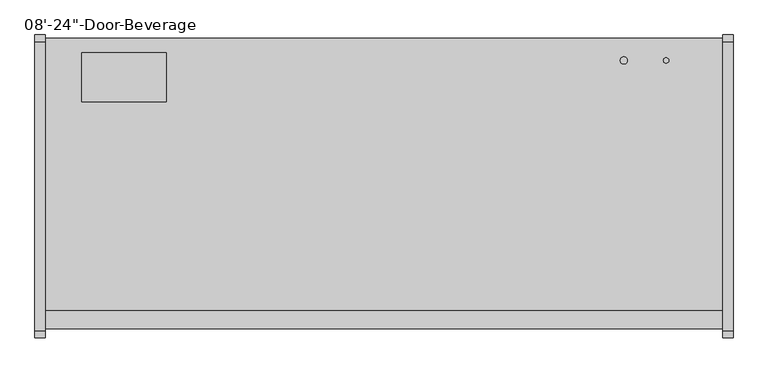
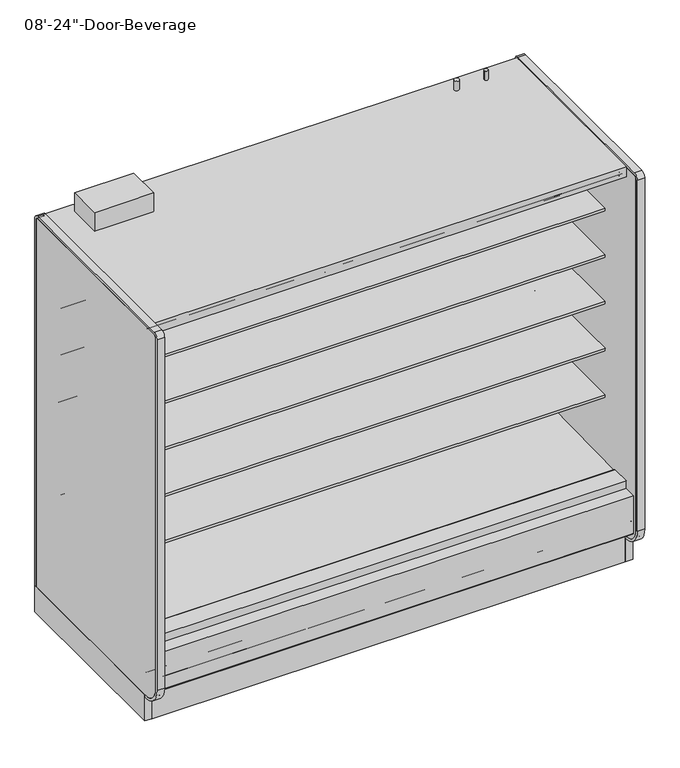
"""IFC4 building model written with IfcOpenShell, lengths in millimetres: proxy geometry."""

from ifc_helpers import new_model, si_unit, point, frame, frame_2d, origin, origin_with_axes, place, context, project, spatial, polyline, circle_curve, trimmed, segment, composite_curve, outline, extrude, source, transform, mapped, element, save
from ifc_brep_helpers import plane_surface, cylinder_surface, revolved_surface, advanced_brep


def proxy_9b6211ec(model_context):
    return source(origin(), model_context, "Body", "SolidModel", [
        extrude(outline(composite_curve([segment(trimmed(circle_curve(frame_2d((2235.2, -428.3821273)), 9.525), [point((2225.675, -428.3821273))], [point((2244.725, -428.3821273))], False, "CARTESIAN"), True, "CONTINUOUS"), segment(trimmed(circle_curve(frame_2d((2235.2, -428.3821273)), 9.525), [point((2244.725, -428.3821273))], [point((2225.675, -428.3821273))], False, "CARTESIAN"), True, "CONTINUOUS")], self_intersect=False)), frame((0.0, 0.0, 2160.0010137), z_axis=(0.0, 0.0, 1.0), x_axis=(1.0, 0.0, 0.0)), (0.0, 0.0, 1.0), 50.8),
        extrude(outline(composite_curve([segment(trimmed(circle_curve(frame_2d((2082.8, -428.3821273)), 12.7), [point((2070.1, -428.3821273))], [point((2095.5, -428.3821273))], False, "CARTESIAN"), True, "CONTINUOUS"), segment(trimmed(circle_curve(frame_2d((2082.8, -428.3821273)), 12.7), [point((2095.5, -428.3821273))], [point((2070.1, -428.3821273))], False, "CARTESIAN"), True, "CONTINUOUS")], self_intersect=False)), frame((0.0, 0.0, 2160.0010137), z_axis=(0.0, 0.0, 1.0), x_axis=(1.0, 0.0, 0.0)), (0.0, 0.0, 1.0), 50.8),
        extrude(outline(composite_curve([segment(polyline([(-1139.652044, 788.1304004), (-1139.652044, 801.6241504), (-453.852044, 801.6241504), (-453.852044, 700.8188557), (-465.2157046, 700.5975577)]), True, "CONTINUOUS"), segment(trimmed(circle_curve(frame_2d((-465.7036503, 725.6535856)), 25.0607786), [point((-465.2157046, 700.5975577))], [point((-481.6109729, 706.2886764))], False, "CARTESIAN"), True, "CONTINUOUS"), segment(polyline([(-481.6109729, 706.2886764), (-519.8326735, 737.3719449)]), True, "CONTINUOUS"), segment(trimmed(circle_curve(frame_2d((-559.8971466, 688.1064601)), 63.5), [point((-519.8326735, 737.3719449))], [point((-553.0441372, 751.2355839))], True, "CARTESIAN"), True, "CONTINUOUS"), segment(polyline([(-553.0441372, 751.2355839), (-968.6518104, 783.846074), (-968.6518104, 788.1304004), (-1139.652044, 788.1304004)]), True, "CONTINUOUS")], self_intersect=False)), frame((0.0, 0.0, 0.0), z_axis=(1.0, 0.0, 0.0), x_axis=(0.0, 1.0, 0.0)), (0.0, 0.0, 1.0), 2438.4),
        extrude(outline(composite_curve([segment(polyline([(-1139.652044, 1042.1304004), (-1139.652044, 1055.6241504), (-453.852044, 1055.6241504), (-453.852044, 954.8188557), (-465.2157046, 954.5975577)]), True, "CONTINUOUS"), segment(trimmed(circle_curve(frame_2d((-465.7036503, 979.6535856)), 25.0607786), [point((-465.2157046, 954.5975577))], [point((-481.6109729, 960.2886764))], False, "CARTESIAN"), True, "CONTINUOUS"), segment(polyline([(-481.6109729, 960.2886764), (-519.8326735, 991.3719449)]), True, "CONTINUOUS"), segment(trimmed(circle_curve(frame_2d((-559.8971466, 942.1064601)), 63.5), [point((-519.8326735, 991.3719449))], [point((-553.0441372, 1005.2355839))], True, "CARTESIAN"), True, "CONTINUOUS"), segment(polyline([(-553.0441372, 1005.2355839), (-968.6518104, 1037.846074), (-968.6518104, 1042.1304004), (-1139.652044, 1042.1304004)]), True, "CONTINUOUS")], self_intersect=False)), frame((0.0, 0.0, 0.0), z_axis=(1.0, 0.0, 0.0), x_axis=(0.0, 1.0, 0.0)), (0.0, 0.0, 1.0), 2438.4),
        extrude(outline(composite_curve([segment(polyline([(-1139.652044, 1296.1304004), (-1139.652044, 1309.6241504), (-453.852044, 1309.6241504), (-453.852044, 1208.8188557), (-465.2157046, 1208.5975577)]), True, "CONTINUOUS"), segment(trimmed(circle_curve(frame_2d((-465.7036503, 1233.6535856)), 25.0607786), [point((-465.2157046, 1208.5975577))], [point((-481.6109729, 1214.2886764))], False, "CARTESIAN"), True, "CONTINUOUS"), segment(polyline([(-481.6109729, 1214.2886764), (-519.8326735, 1245.3719449)]), True, "CONTINUOUS"), segment(trimmed(circle_curve(frame_2d((-559.8971466, 1196.1064601)), 63.5), [point((-519.8326735, 1245.3719449))], [point((-553.0441372, 1259.2355839))], True, "CARTESIAN"), True, "CONTINUOUS"), segment(polyline([(-553.0441372, 1259.2355839), (-968.6518104, 1291.846074), (-968.6518104, 1296.1304004), (-1139.652044, 1296.1304004)]), True, "CONTINUOUS")], self_intersect=False)), frame((0.0, 0.0, 0.0), z_axis=(1.0, 0.0, 0.0), x_axis=(0.0, 1.0, 0.0)), (0.0, 0.0, 1.0), 2438.4),
        extrude(outline(composite_curve([segment(polyline([(-1139.652044, 1550.1304004), (-1139.652044, 1563.6241504), (-453.852044, 1563.6241504), (-453.852044, 1462.8188557), (-465.2157046, 1462.5975577)]), True, "CONTINUOUS"), segment(trimmed(circle_curve(frame_2d((-465.7036503, 1487.6535856)), 25.0607786), [point((-465.2157046, 1462.5975577))], [point((-481.6109729, 1468.2886764))], False, "CARTESIAN"), True, "CONTINUOUS"), segment(polyline([(-481.6109729, 1468.2886764), (-519.8326735, 1499.3719449)]), True, "CONTINUOUS"), segment(trimmed(circle_curve(frame_2d((-559.8971466, 1450.1064601)), 63.5), [point((-519.8326735, 1499.3719449))], [point((-553.0441372, 1513.2355839))], True, "CARTESIAN"), True, "CONTINUOUS"), segment(polyline([(-553.0441372, 1513.2355839), (-968.6518104, 1545.846074), (-968.6518104, 1550.1304004), (-1139.652044, 1550.1304004)]), True, "CONTINUOUS")], self_intersect=False)), frame((0.0, 0.0, 0.0), z_axis=(1.0, 0.0, 0.0), x_axis=(0.0, 1.0, 0.0)), (0.0, 0.0, 1.0), 2438.4),
        extrude(outline(composite_curve([segment(polyline([(-632.8965773, 2077.3701079), (-1202.1056471, 2077.3701079), (-1202.0779553, 2079.0129758), (-1258.0451873, 2083.4966948), (-1258.0451873, 2075.9223079)]), True, "CONTINUOUS"), segment(trimmed(circle_curve(frame_2d((-1260.5851873, 2075.9223079)), 2.54), [point((-1258.0451873, 2075.9223079))], [point((-1260.5851873, 2073.3823079))], False, "CARTESIAN"), True, "CONTINUOUS"), segment(polyline([(-1260.5851873, 2073.3823079), (-1269.8053873, 2073.3823079)]), True, "CONTINUOUS"), segment(trimmed(circle_curve(frame_2d((-1269.8053873, 2075.9223079)), 2.54), [point((-1269.8053873, 2073.3823079))], [point((-1272.3453873, 2075.9223079))], False, "CARTESIAN"), True, "CONTINUOUS"), segment(polyline([(-1272.3453873, 2075.9223079), (-1272.3453873, 2092.9469554)]), True, "CONTINUOUS"), segment(trimmed(circle_curve(frame_2d((-1274.8853873, 2092.9469554)), 2.54), [point((-1272.3453873, 2092.9469554))], [point((-1274.8853873, 2095.4869554))], True, "CARTESIAN"), True, "CONTINUOUS"), segment(polyline([(-1274.8853873, 2095.4869554), (-1288.8553873, 2095.4869554)]), True, "CONTINUOUS"), segment(trimmed(circle_curve(frame_2d((-1288.8553873, 2098.0269554)), 2.54), [point((-1288.8553873, 2095.4869554))], [point((-1291.3953873, 2098.0269554))], False, "CARTESIAN"), True, "CONTINUOUS"), segment(polyline([(-1291.3953873, 2098.0269554), (-1291.3953873, 2102.7701079), (-402.3474764, 2102.7701079), (-402.3474764, 418.2554484), (-453.852044, 418.2554484), (-453.852044, 2054.7594138)]), True, "CONTINUOUS"), segment(trimmed(circle_curve(frame_2d((-476.4627381, 2054.7594138)), 22.6106941), [point((-453.852044, 2054.7594138))], [point((-476.4627381, 2077.3701079))], True, "CARTESIAN"), True, "CONTINUOUS"), segment(polyline([(-476.4627381, 2077.3701079), (-632.8965773, 2077.3701079)]), True, "CONTINUOUS")], self_intersect=False)), frame((0.0, 0.0, 0.0), z_axis=(1.0, 0.0, 0.0), x_axis=(0.0, 1.0, 0.0)), (0.0, 0.0, 1.0), 2438.4),
        extrude(outline(polyline([(673.1, -1207.3278954), (673.1, -1296.2278954), (368.3, -1296.2278954), (368.3, -1207.3278954), (673.1, -1207.3278954)])), frame((0.0, 0.0, 44.45), z_axis=(0.0, 0.0, 1.0), x_axis=(1.0, 0.0, 0.0)), (0.0, 0.0, 1.0), 6.35),
        advanced_brep(
        [(2438.4, -1318.106026, 204.9450868), (2438.4, -1318.106026, 0.0), (2438.4, -1154.5934832, 0.0), (2438.4, -1154.5934832, 130.5306), (2438.4, -1226.6745247, 130.5306), (2438.4, -1377.1737273, 256.8144254), (2438.4, -1377.1737273, 391.9982), (2438.4, -1326.8776974, 391.9982), (2438.4, -1326.8776974, 404.6728), (2438.4, -1393.9631273, 404.6728), (2438.4, -1393.9631273, 201.3982889), (2438.4, -1384.4389382, 195.8985595), (2438.4, -1339.6997646, 221.7199387), (0.0, -1318.106026, 204.9450868), (0.0, -1339.6997646, 221.7199387), (0.0, -1384.4389382, 195.8985595), (0.0, -1393.9631273, 201.3982889), (0.0, -1393.9631273, 404.6728), (0.0, -1326.8776974, 404.6728), (0.0, -1326.8776974, 391.9982), (0.0, -1377.1737273, 391.9982), (0.0, -1377.1737273, 256.8144254), (0.0, -1226.6745247, 130.5306), (0.0, -1154.5934832, 130.5306), (0.0, -1154.5934832, 0.0), (0.0, -1318.106026, 0.0), (677.9753763, -1301.1164467, 0.0), (677.9753763, -1203.5310315, 0.0), (363.1798722, -1203.5310315, 0.0), (363.1798722, -1301.1164467, 0.0), (677.9753763, -1301.1164467, 50.8), (677.9753763, -1203.5310315, 50.8), (363.1798722, -1203.5310315, 50.8), (363.1798722, -1301.1164467, 50.8)],
        [
            (0, 1),
            (1, 2),
            (2, 3),
            (3, 4),
            (4, 5),
            (5, 6),
            (6, 7),
            (7, 8),
            (8, 9),
            (9, 10),
            (10, 11, circle_curve(frame((2438.4, -1387.6131273, 201.3982889), z_axis=(1.0, 0.0, 0.0), x_axis=(0.0, 1.0, 0.0)), 6.35)),
            (11, 12),
            (12, 0),
            (13, 14),
            (14, 15),
            (15, 16, circle_curve(frame((0.0, -1387.6131273, 201.3982889), z_axis=(-1.0, 0.0, 0.0), x_axis=(0.0, 1.0, 0.0)), 6.35)),
            (16, 17),
            (17, 18),
            (18, 19),
            (19, 20),
            (20, 21),
            (21, 22),
            (22, 23),
            (23, 24),
            (24, 25),
            (25, 13),
            (0, 13),
            (25, 1),
            (24, 2),
            (26, 27),
            (27, 28),
            (28, 29),
            (29, 26),
            (23, 3),
            (22, 4),
            (21, 5),
            (20, 6),
            (19, 7),
            (18, 8),
            (17, 9),
            (16, 10),
            (15, 11),
            (14, 12),
            (26, 30),
            (30, 31),
            (31, 27),
            (28, 32),
            (32, 33),
            (33, 29),
            (31, 32),
            (30, 33),
        ],
        [
            plane_surface(frame((2438.4, -1318.106026, 0.0), z_axis=(1.0, 0.0, 0.0), x_axis=(0.0, 0.0, -1.0))),
            plane_surface(frame((0.0, -1318.106026, 0.0), z_axis=(-1.0, 0.0, 0.0), x_axis=(0.0, 0.0, 1.0))),
            plane_surface(frame((2438.4, -1318.106026, 204.9450868), z_axis=(0.0, -1.0, 0.0), x_axis=(-1.0, 0.0, 0.0))),
            plane_surface(frame((2438.4, -1318.106026, 0.0), z_axis=(0.0, 0.0, -1.0), x_axis=(-1.0, 0.0, 0.0))),
            plane_surface(frame((2438.4, -1154.5934832, 0.0), z_axis=(0.0, 1.0, 0.0), x_axis=(-1.0, 0.0, 0.0))),
            plane_surface(frame((2438.4, -1154.5934832, 130.5306), z_axis=(0.0, 0.0, 1.0), x_axis=(-1.0, 0.0, 0.0))),
            plane_surface(frame((2438.4, -1226.6745247, 130.5306), z_axis=(0.0, 0.6427876096877188, 0.7660444431179884), x_axis=(-1.0, 0.0, 0.0))),
            plane_surface(frame((2438.4, -1377.1737273, 256.8144254), z_axis=(0.0, 1.0, 0.0), x_axis=(-1.0, 0.0, 0.0))),
            plane_surface(frame((2438.4, -1377.1737273, 391.9982), z_axis=(0.0, 0.0, -1.0), x_axis=(-1.0, 0.0, 0.0))),
            plane_surface(frame((2438.4, -1326.8776974, 391.9982), z_axis=(0.0, 1.0, 0.0), x_axis=(-1.0, 0.0, 0.0))),
            plane_surface(frame((2438.4, -1326.8776974, 404.6728), z_axis=(0.0, 0.0, 1.0), x_axis=(-1.0, 0.0, 0.0))),
            plane_surface(frame((2438.4, -1393.9631273, 404.6728), z_axis=(0.0, -1.0, 0.0), x_axis=(-1.0, 0.0, 0.0))),
            cylinder_surface(frame((0.0, -1387.6131273, 201.3982889), z_axis=(1.0, 0.0, 0.0), x_axis=(0.0, 1.0, 0.0)), 6.35),
            plane_surface(frame((2438.4, -1384.4389382, 195.8985595), z_axis=(0.0, 0.4998723022013517, -0.8660991175910068), x_axis=(-1.0, 0.0, 0.0))),
            plane_surface(frame((2438.4, -1339.6997646, 221.7199387), z_axis=(0.0, -0.6134784338805639, -0.7897114733644501), x_axis=(-1.0, 0.0, 0.0))),
            plane_surface(frame((677.9753763, -1207.3278954, 0.0), z_axis=(-1.0, 0.0, 0.0), x_axis=(0.0, 1.0, 0.0))),
            plane_surface(frame((363.1798722, -1207.3278954, 0.0), z_axis=(1.0, 0.0, 0.0), x_axis=(0.0, -1.0, 0.0))),
            plane_surface(frame((677.9753763, -1203.5310315, 0.0), z_axis=(0.0, -1.0, 0.0), x_axis=(-1.0, 0.0, 0.0))),
            plane_surface(frame((677.9753763, -1203.5310315, 50.8), z_axis=(0.0, 0.0, -1.0), x_axis=(-1.0, 0.0, 0.0))),
            plane_surface(frame((677.9753763, -1301.1164467, 50.8), z_axis=(0.0, 1.0, 0.0), x_axis=(-1.0, 0.0, 0.0))),
        ],
        [
            (0, [[1, 2, 3, 4, 5, 6, 7, 8, 9, 10, 11, 12, 13]]),
            (1, [[14, 15, 16, 17, 18, 19, 20, 21, 22, 23, 24, 25, 26]]),
            (2, [[-1, 27, -26, 28]]),
            (3, [[-2, -28, -25, 29], [30, 31, 32, 33]]),
            (4, [[-3, -29, -24, 34]]),
            (5, [[-4, -34, -23, 35]]),
            (6, [[-5, -35, -22, 36]]),
            (7, [[-6, -36, -21, 37]]),
            (8, [[-7, -37, -20, 38]]),
            (9, [[-8, -38, -19, 39]]),
            (10, [[-9, -39, -18, 40]]),
            (11, [[-10, -40, -17, 41]]),
            (12, [[-11, -41, -16, 42]]),
            (13, [[-12, -42, -15, 43]]),
            (14, [[-13, -43, -14, -27]]),
            (15, [[44, 45, 46, -30]]),
            (16, [[47, 48, 49, -32]]),
            (17, [[-46, 50, -47, -31]]),
            (18, [[-45, 51, -48, -50]]),
            (19, [[-44, -33, -49, -51]]),
        ],
    ),
        extrude(outline(composite_curve([segment(trimmed(circle_curve(frame_2d((354.0125, 2362.2)), 12.7), [point((341.3125, 2362.2))], [point((366.7125, 2362.2))], False, "CARTESIAN"), True, "CONTINUOUS"), segment(trimmed(circle_curve(frame_2d((354.0125, 2362.2)), 12.7), [point((366.7125, 2362.2))], [point((341.3125, 2362.2))], False, "CARTESIAN"), True, "CONTINUOUS")], self_intersect=False)), frame((0.0, -399.8071273, 0.0), z_axis=(0.0, 1.0, 0.0), x_axis=(0.0, 0.0, 1.0)), (0.0, 0.0, 1.0), 50.8),
        extrude(outline(composite_curve([segment(trimmed(circle_curve(frame_2d((354.0125, 2311.4)), 9.525), [point((344.4875, 2311.4))], [point((363.5375, 2311.4))], False, "CARTESIAN"), True, "CONTINUOUS"), segment(trimmed(circle_curve(frame_2d((354.0125, 2311.4)), 9.525), [point((363.5375, 2311.4))], [point((344.4875, 2311.4))], False, "CARTESIAN"), True, "CONTINUOUS")], self_intersect=False)), frame((0.0, -399.8071273, 0.0), z_axis=(0.0, 1.0, 0.0), x_axis=(0.0, 0.0, 1.0)), (0.0, 0.0, 1.0), 50.8),
        advanced_brep(
        [(2438.4, -349.0071273, 130.5306), (2438.4, -349.0071273, 2159.0692079), (2438.4, -1328.759197, 2159.0692079), (2438.4, -1328.759197, 2102.7701079), (2438.4, -402.3474764, 2102.7701079), (2438.4, -402.3474764, 358.6596808), (2438.4, -549.3331942, 211.7249958), (2438.4, -991.2928374, 196.2548056), (2438.4, -1033.515372, 165.5831237), (2438.4, -1035.4689267, 165.5149041), (2438.4, -1048.6488905, 157.9054484), (2438.4, -1108.9738905, 157.9054484), (2438.4, -1117.2097949, 162.6604501), (2438.4, -1119.3438463, 162.5859274), (2438.4, -1169.010644, 190.034038), (2438.4, -1325.2901974, 342.4428), (2438.4, -1325.2901974, 391.9982), (2438.4, -1377.1737273, 391.9982), (2438.4, -1377.1737273, 256.8144254), (2438.4, -1226.6745247, 130.5306), (0.0, -349.0071273, 130.5306), (0.0, -1226.6745247, 130.5306), (0.0, -1377.1737273, 256.8144254), (0.0, -1377.1737273, 391.9982), (0.0, -1325.2901974, 391.9982), (0.0, -1325.2901974, 342.4428), (0.0, -1169.010644, 190.034038), (0.0, -1119.3438463, 162.5859274), (0.0, -1117.2097949, 162.6604501), (0.0, -1108.9738905, 157.9054484), (0.0, -1048.6488905, 157.9054484), (0.0, -1035.4689267, 165.5149041), (0.0, -1033.515372, 165.5831237), (0.0, -991.2928374, 196.2548056), (0.0, -549.3331942, 211.7249958), (0.0, -402.3474764, 358.6596808), (0.0, -402.3474764, 2102.7701079), (0.0, -1328.759197, 2102.7701079), (0.0, -1328.759197, 2159.0692079), (0.0, -349.0071273, 2159.0692079), (2336.8, -349.0071273, 303.2125), (2336.8, -349.0071273, 404.8125), (2336.8, -399.8071273, 404.8125), (2336.8, -399.8071273, 303.2125)],
        [
            (0, 1),
            (1, 2),
            (2, 3),
            (3, 4),
            (4, 5),
            (5, 6, circle_curve(frame((2438.4, -554.6779329, 364.0573175), z_axis=(-1.0, 0.0, 0.0), x_axis=(0.0, 1.0, 0.0)), 152.4260557)),
            (6, 7),
            (7, 8),
            (8, 9),
            (9, 10),
            (10, 11),
            (11, 12),
            (12, 13),
            (13, 14),
            (14, 15, circle_curve(frame((2438.4, -1174.2931139, 340.9461144), z_axis=(-1.0, 0.0, 0.0), x_axis=(0.0, 1.0, 0.0)), 151.0045009)),
            (15, 16),
            (16, 17),
            (17, 18),
            (18, 19),
            (19, 0),
            (20, 21),
            (21, 22),
            (22, 23),
            (23, 24),
            (24, 25),
            (25, 26, circle_curve(frame((0.0, -1174.2931139, 340.9461144), z_axis=(1.0, 0.0, 0.0), x_axis=(0.0, 1.0, 0.0)), 151.0045009)),
            (26, 27),
            (27, 28),
            (28, 29),
            (29, 30),
            (30, 31),
            (31, 32),
            (32, 33),
            (33, 34),
            (34, 35, circle_curve(frame((0.0, -554.6779329, 364.0573175), z_axis=(1.0, 0.0, 0.0), x_axis=(0.0, 1.0, 0.0)), 152.4260557)),
            (35, 36),
            (36, 37),
            (37, 38),
            (38, 39),
            (39, 20),
            (0, 20),
            (39, 1),
            (40, 41, circle_curve(frame((2336.8, -349.0071273, 354.0125), z_axis=(0.0, -1.0, 0.0), x_axis=(0.0, 0.0, -1.0)), 50.8)),
            (41, 40, circle_curve(frame((2336.8, -349.0071273, 354.0125), z_axis=(0.0, -1.0, 0.0), x_axis=(0.0, 0.0, -1.0)), 50.8)),
            (38, 2),
            (37, 3),
            (36, 4),
            (6, 34),
            (33, 7),
            (32, 8),
            (31, 9),
            (30, 10),
            (29, 11),
            (28, 12),
            (27, 13),
            (26, 14),
            (25, 15),
            (24, 16),
            (23, 17),
            (22, 18),
            (21, 19),
            (35, 5),
            (42, 43, circle_curve(frame((2336.8, -399.8071273, 354.0125), z_axis=(0.0, 1.0, 0.0), x_axis=(0.0, 0.0, -1.0)), 50.8)),
            (43, 42, circle_curve(frame((2336.8, -399.8071273, 354.0125), z_axis=(0.0, 1.0, 0.0), x_axis=(0.0, 0.0, -1.0)), 50.8)),
            (42, 41),
            (40, 43),
        ],
        [
            plane_surface(frame((2438.4, -349.0071273, 2154.3067079), z_axis=(1.0, 0.0, 0.0), x_axis=(0.0, 0.0, 1.0))),
            plane_surface(frame((0.0, -349.0071273, 2154.3067079), z_axis=(-1.0, 0.0, 0.0), x_axis=(0.0, 0.0, -1.0))),
            plane_surface(frame((2438.4, -349.0071273, 130.5306), z_axis=(0.0, 1.0, 0.0), x_axis=(-1.0, 0.0, 0.0))),
            plane_surface(frame((2438.4, -349.0071273, 2159.0692079), z_axis=(0.0, 0.0, 1.0), x_axis=(-1.0, 0.0, 0.0))),
            plane_surface(frame((2438.4, -1328.759197, 2159.0692079), z_axis=(0.0, -1.0, 0.0), x_axis=(-1.0, 0.0, 0.0))),
            plane_surface(frame((2438.4, -1328.759197, 2102.7701079), z_axis=(0.0, 0.0, -1.0), x_axis=(-1.0, 0.0, 0.0))),
            plane_surface(frame((2438.4, -549.3331942, 211.7249958), z_axis=(0.0, -0.03498220179415916, 0.9993879354673203), x_axis=(-1.0, 0.0, 0.0))),
            plane_surface(frame((2438.4, -991.2928374, 196.2548056), z_axis=(0.0, -0.5877252382161511, 0.8090605937528836), x_axis=(-1.0, 0.0, 0.0))),
            plane_surface(frame((2438.4, -1033.515372, 165.5831237), z_axis=(0.0, -0.034899496717989933, 0.9993908270185549), x_axis=(-1.0, 0.0, 0.0))),
            plane_surface(frame((2438.4, -1035.4689267, 165.5149041), z_axis=(0.0, -0.5000000000128472, 0.8660254037770214), x_axis=(-1.0, 0.0, 0.0))),
            plane_surface(frame((2438.4, -1048.6488905, 157.9054484), z_axis=(0.0, 0.0, 1.0), x_axis=(-1.0, 0.0, 0.0))),
            plane_surface(frame((2438.4, -1108.9738905, 157.9054484), z_axis=(0.0, 0.49999999998692984, 0.8660254037919848), x_axis=(-1.0, 0.0, 0.0))),
            plane_surface(frame((2438.4, -1117.2097949, 162.6604501), z_axis=(0.0, -0.03489949671806632, 0.9993908270185522), x_axis=(-1.0, 0.0, 0.0))),
            plane_surface(frame((2438.4, -1119.3438463, 162.5859274), z_axis=(0.0, 0.483695152932422, 0.8752365389023021), x_axis=(-1.0, 0.0, 0.0))),
            revolved_surface(polyline([(0.0, -1023.2886129999999, 340.9461144), (2438.4, -1023.2886129999999, 340.9461144)]), (0.0, -1174.2931139, 340.9461144), (-1.0, 0.0, 0.0)),
            plane_surface(frame((2438.4, -1325.2901974, 342.4428), z_axis=(0.0, 1.0, 0.0), x_axis=(-1.0, 0.0, 0.0))),
            plane_surface(frame((2438.4, -1325.2901974, 391.9982), z_axis=(0.0, 0.0, 1.0), x_axis=(-1.0, 0.0, 0.0))),
            plane_surface(frame((2438.4, -1377.1737273, 391.9982), z_axis=(0.0, -1.0, 0.0), x_axis=(-1.0, 0.0, 0.0))),
            plane_surface(frame((2438.4, -1377.1737273, 256.8144254), z_axis=(0.0, -0.6427876096877191, -0.7660444431179881), x_axis=(-1.0, 0.0, 0.0))),
            plane_surface(frame((2438.4, -1226.6745247, 130.5306), z_axis=(0.0, 0.0, -1.0), x_axis=(-1.0, 0.0, 0.0))),
            plane_surface(frame((2438.4, -402.3474764, 2102.7701079), z_axis=(0.0, -1.0, 0.0), x_axis=(-1.0, 0.0, 0.0))),
            revolved_surface(polyline([(0.0, -402.25187719999997, 364.0573175), (2438.4, -402.25187719999997, 364.0573175)]), (0.0, -554.6779329, 364.0573175), (-1.0, 0.0, 0.0)),
            plane_surface(frame((2336.8, -399.8071273, 303.2125), z_axis=(0.0, 1.0, 0.0), x_axis=(1.0, 0.0, 0.0))),
            revolved_surface(polyline([(2336.8, -349.0071273, 303.2125), (2336.8, -399.8071273, 303.2125)]), (2336.8, -399.8071273, 354.0125), (0.0, 1.0, 0.0)),
        ],
        [
            (0, [[1, 2, 3, 4, 5, 6, 7, 8, 9, 10, 11, 12, 13, 14, 15, 16, 17, 18, 19, 20]]),
            (1, [[21, 22, 23, 24, 25, 26, 27, 28, 29, 30, 31, 32, 33, 34, 35, 36, 37, 38, 39, 40]]),
            (2, [[-1, 41, -40, 42], [43, 44]]),
            (3, [[-2, -42, -39, 45]]),
            (4, [[-3, -45, -38, 46]]),
            (5, [[-4, -46, -37, 47]]),
            (6, [[-7, 48, -34, 49]]),
            (7, [[-8, -49, -33, 50]]),
            (8, [[-9, -50, -32, 51]]),
            (9, [[-10, -51, -31, 52]]),
            (10, [[-11, -52, -30, 53]]),
            (11, [[-12, -53, -29, 54]]),
            (12, [[-13, -54, -28, 55]]),
            (13, [[-14, -55, -27, 56]]),
            (14, [[-15, -56, -26, 57]]),
            (15, [[-16, -57, -25, 58]]),
            (16, [[-17, -58, -24, 59]]),
            (17, [[-18, -59, -23, 60]]),
            (18, [[-19, -60, -22, 61]]),
            (19, [[-20, -61, -21, -41]]),
            (20, [[-5, -47, -36, 62]]),
            (21, [[-6, -62, -35, -48]]),
            (22, [[63, 64]]),
            (23, [[-63, 65, -43, 66]]),
            (23, [[-64, -66, -44, -65]]),
        ],
    ),
        extrude(outline(composite_curve([segment(trimmed(circle_curve(frame_2d((1219.2, -1072.9071273)), 38.1), [point((1181.1, -1072.9071273))], [point((1257.3, -1072.9071273))], False, "CARTESIAN"), True, "CONTINUOUS"), segment(trimmed(circle_curve(frame_2d((1219.2, -1072.9071273)), 38.1), [point((1257.3, -1072.9071273))], [point((1181.1, -1072.9071273))], False, "CARTESIAN"), True, "CONTINUOUS")], self_intersect=False)), frame((0.0, 0.0, 61.2666507), z_axis=(0.0, 0.0, 1.0), x_axis=(1.0, 0.0, 0.0)), (0.0, 0.0, 1.0), 65.7333493),
        extrude(outline(composite_curve([segment(trimmed(circle_curve(frame_2d((2243.1375, -1076.0821273)), 12.7), [point((2230.4375, -1076.0821273))], [point((2255.8375, -1076.0821273))], False, "CARTESIAN"), True, "CONTINUOUS"), segment(trimmed(circle_curve(frame_2d((2243.1375, -1076.0821273)), 12.7), [point((2255.8375, -1076.0821273))], [point((2230.4375, -1076.0821273))], False, "CARTESIAN"), True, "CONTINUOUS")], self_intersect=False)), frame((0.0, 0.0, 61.2666507), z_axis=(0.0, 0.0, 1.0), x_axis=(1.0, 0.0, 0.0)), (0.0, 0.0, 1.0), 65.7333493),
        extrude(outline(composite_curve([segment(trimmed(circle_curve(frame_2d((2192.3375, -1076.0821273)), 9.525), [point((2182.8125, -1076.0821273))], [point((2201.8625, -1076.0821273))], False, "CARTESIAN"), True, "CONTINUOUS"), segment(trimmed(circle_curve(frame_2d((2192.3375, -1076.0821273)), 9.525), [point((2201.8625, -1076.0821273))], [point((2182.8125, -1076.0821273))], False, "CARTESIAN"), True, "CONTINUOUS")], self_intersect=False)), frame((0.0, 0.0, 61.2666507), z_axis=(0.0, 0.0, 1.0), x_axis=(1.0, 0.0, 0.0)), (0.0, 0.0, 1.0), 65.7333493),
        advanced_brep(
        [(2438.4, -349.0071273, 0.0), (2438.4, -349.0071273, 130.5306), (2438.4, -1154.5934832, 130.5306), (2438.4, -1154.5934832, 0.0), (2438.4, -1108.6576273, 0.0), (2438.4, -1108.6576273, 74.8810382), (2438.4, -394.2191273, 74.8810382), (2438.4, -394.2191273, 0.0), (0.0, -349.0071273, 0.0), (0.0, -394.2191273, 0.0), (0.0, -394.2191273, 74.8810382), (0.0, -1108.6576273, 74.8810382), (0.0, -1108.6576273, 0.0), (0.0, -1154.5934832, 0.0), (0.0, -1154.5934832, 130.5306), (0.0, -349.0071273, 130.5306), (1183.1092567, -1108.6576273, 74.8810382), (1183.1092567, -1108.6576273, 127.0), (1255.2907433, -1108.6576273, 127.0), (1255.2907433, -1108.6576273, 74.8810382), (2178.7570331, -1108.6576273, 74.8810382), (2178.7570331, -1108.6576273, 127.0), (2256.7179669, -1108.6576273, 127.0), (2256.7179669, -1108.6576273, 74.8810382)],
        [
            (0, 1),
            (1, 2),
            (2, 3),
            (3, 4),
            (4, 5),
            (5, 6),
            (6, 7),
            (7, 0),
            (8, 9),
            (9, 10),
            (10, 11),
            (11, 12),
            (12, 13),
            (13, 14),
            (14, 15),
            (15, 8),
            (0, 8),
            (15, 1),
            (14, 2),
            (13, 3),
            (12, 4),
            (11, 16),
            (16, 17),
            (17, 18),
            (18, 19),
            (19, 20),
            (20, 21),
            (21, 22),
            (22, 23),
            (23, 5),
            (23, 20, circle_curve(frame((2217.7375, -1076.0821273, 74.8810382), z_axis=(0.0, 0.0, 1.0), x_axis=(1.0, 0.0, 0.0)), 50.8)),
            (19, 16, circle_curve(frame((1219.2, -1072.9071273, 74.8810382), z_axis=(0.0, 0.0, 1.0), x_axis=(1.0, 0.0, 0.0)), 50.8)),
            (10, 6),
            (9, 7),
            (17, 18, circle_curve(frame((1219.2, -1072.9071273, 127.0), z_axis=(0.0, 0.0, -1.0), x_axis=(1.0, 0.0, 0.0)), 50.8)),
            (21, 22, circle_curve(frame((2217.7375, -1076.0821273, 127.0), z_axis=(0.0, 0.0, -1.0), x_axis=(1.0, 0.0, 0.0)), 50.8)),
        ],
        [
            plane_surface(frame((2438.4, -349.0071273, 2438.4), z_axis=(1.0, 0.0, 0.0), x_axis=(0.0, 0.0, 1.0))),
            plane_surface(frame((0.0, -349.0071273, 2438.4), z_axis=(-1.0, 0.0, 0.0), x_axis=(0.0, 0.0, -1.0))),
            plane_surface(frame((2438.4, -349.0071273, 0.0), z_axis=(0.0, 1.0, 0.0), x_axis=(-1.0, 0.0, 0.0))),
            plane_surface(frame((2438.4, -349.0071273, 130.5306), z_axis=(0.0, 0.0, 1.0), x_axis=(-1.0, 0.0, 0.0))),
            plane_surface(frame((2438.4, -1154.5934832, 130.5306), z_axis=(0.0, -1.0, 0.0), x_axis=(-1.0, 0.0, 0.0))),
            plane_surface(frame((2438.4, -1154.5934832, 0.0), z_axis=(0.0, 0.0, -1.0), x_axis=(-1.0, 0.0, 0.0))),
            plane_surface(frame((2438.4, -1108.6576273, 0.0), z_axis=(0.0, 1.0, 0.0), x_axis=(-1.0, 0.0, 0.0))),
            plane_surface(frame((2438.4, -1108.6576273, 74.8810382), z_axis=(0.0, 0.0, -1.0), x_axis=(-1.0, 0.0, 0.0))),
            plane_surface(frame((2438.4, -394.2191273, 74.8810382), z_axis=(0.0, -1.0, 0.0), x_axis=(-1.0, 0.0, 0.0))),
            plane_surface(frame((2438.4, -394.2191273, 0.0), z_axis=(0.0, 0.0, -1.0), x_axis=(-1.0, 0.0, 0.0))),
            plane_surface(frame((1255.2907433, -1108.6576273, 127.0), z_axis=(0.0, 0.0, -1.0), x_axis=(1.0, 0.0, 0.0))),
            revolved_surface(polyline([(1270.0, -1072.9071273, 127.0), (1270.0, -1072.9071273, 74.8810382)]), (1219.2, -1072.9071273, 0.0), (0.0, 0.0, 1.0)),
            plane_surface(frame((2256.7179669, -1108.6576273, 127.0), z_axis=(0.0, 0.0, -1.0), x_axis=(1.0, 0.0, 0.0))),
            revolved_surface(polyline([(2268.5375000000004, -1076.0821273, 127.0), (2268.5375000000004, -1076.0821273, 74.8810382)]), (2217.7375, -1076.0821273, 0.0), (0.0, 0.0, 1.0)),
        ],
        [
            (0, [[1, 2, 3, 4, 5, 6, 7, 8]]),
            (1, [[9, 10, 11, 12, 13, 14, 15, 16]]),
            (2, [[-1, 17, -16, 18]]),
            (3, [[-2, -18, -15, 19]]),
            (4, [[-3, -19, -14, 20]]),
            (5, [[21, -4, -20, -13]]),
            (6, [[-5, -21, -12, 22, 23, 24, 25, 26, 27, 28, 29, 30]]),
            (7, [[-6, -30, 31, -26, 32, -22, -11, 33]]),
            (8, [[-7, -33, -10, 34]]),
            (9, [[-8, -34, -9, -17]]),
            (10, [[35, -24]]),
            (11, [[-35, -23, -32, -25]]),
            (12, [[36, -28]]),
            (13, [[-36, -27, -31, -29]]),
        ],
    ),
        extrude(outline(composite_curve([segment(polyline([(-1139.652044, 1803.3473276), (-1139.652044, 1816.8410776), (-453.852044, 1816.8410776), (-453.852044, 1716.035783), (-465.2157046, 1715.814485)]), True, "CONTINUOUS"), segment(trimmed(circle_curve(frame_2d((-465.7036503, 1740.8705128)), 25.0607786), [point((-465.2157046, 1715.814485))], [point((-481.6109729, 1721.5056036))], False, "CARTESIAN"), True, "CONTINUOUS"), segment(polyline([(-481.6109729, 1721.5056036), (-519.8326735, 1752.5888722)]), True, "CONTINUOUS"), segment(trimmed(circle_curve(frame_2d((-559.8971466, 1703.3233874)), 63.5), [point((-519.8326735, 1752.5888722))], [point((-553.0441372, 1766.4525111))], True, "CARTESIAN"), True, "CONTINUOUS"), segment(polyline([(-553.0441372, 1766.4525111), (-968.6518104, 1799.0630012), (-968.6518104, 1803.3473276), (-1139.652044, 1803.3473276)]), True, "CONTINUOUS")], self_intersect=False)), frame((0.0, 0.0, 0.0), z_axis=(1.0, 0.0, 0.0), x_axis=(0.0, 1.0, 0.0)), (0.0, 0.0, 1.0), 2438.4),
        extrude(outline(polyline([(434.975, -399.8071273), (434.975, -577.6071273), (130.175, -577.6071273), (130.175, -399.8071273), (434.975, -399.8071273)])), frame((0.0, 0.0, 2160.0010137), z_axis=(0.0, 0.0, 1.0), x_axis=(1.0, 0.0, 0.0)), (0.0, 0.0, 1.0), 101.1788283),
        extrude(outline(composite_curve([segment(polyline([(-453.852044, 452.2592331), (-453.852044, 418.2554484), (-402.3474764, 418.2554484), (-402.3474764, 358.6596808)]), True, "CONTINUOUS"), segment(trimmed(circle_curve(frame_2d((-554.6779329, 364.0573175)), 152.4260557), [point((-402.3474764, 358.6596808))], [point((-549.3331942, 211.7249958))], False, "CARTESIAN"), True, "CONTINUOUS"), segment(polyline([(-549.3331942, 211.7249958), (-991.2928374, 196.2548056), (-1033.515372, 165.5831237), (-1035.4689267, 165.5149041), (-1048.6488905, 157.9054484), (-1108.9738905, 157.9054484), (-1117.2097949, 162.6604501), (-1119.3438463, 162.5859274), (-1169.010644, 190.034038)]), True, "CONTINUOUS"), segment(trimmed(circle_curve(frame_2d((-1174.2931139, 340.9461144)), 151.0045009), [point((-1169.010644, 190.034038))], [point((-1325.2901974, 342.4428))], False, "CARTESIAN"), True, "CONTINUOUS"), segment(polyline([(-1325.2901974, 342.4428), (-1325.2901974, 391.9982), (-1326.8776974, 391.9982), (-1326.8776974, 447.5353), (-1227.4661273, 447.5353)]), True, "CONTINUOUS"), segment(trimmed(circle_curve(frame_2d((-1227.4661273, 445.4779)), 2.0574), [point((-1227.4661273, 447.5353))], [point((-1225.4087273, 445.4779))], False, "CARTESIAN"), True, "CONTINUOUS"), segment(polyline([(-1225.4087273, 445.4779), (-1225.4087273, 438.3756667), (-453.852044, 452.2592331)]), True, "CONTINUOUS")], self_intersect=False)), frame((0.0, 0.0, 0.0), z_axis=(1.0, 0.0, 0.0), x_axis=(0.0, 1.0, 0.0)), (0.0, 0.0, 1.0), 2438.4),
        extrude(outline(composite_curve([segment(trimmed(circle_curve(frame_2d((-1325.3196273, 232.1306)), 88.9), [point((-1414.2196273, 232.1306))], [point((-1325.3196273, 143.2306))], True, "CARTESIAN"), True, "CONTINUOUS"), segment(polyline([(-1325.3196273, 143.2306), (-1318.106026, 143.2306), (-1318.106026, 130.7870064)]), True, "CONTINUOUS"), segment(trimmed(circle_curve(frame_2d((-1325.3196273, 232.1306)), 101.6), [point((-1318.106026, 130.7870064))], [point((-1426.9196273, 232.1306))], False, "CARTESIAN"), True, "CONTINUOUS"), segment(polyline([(-1426.9196273, 232.1306), (-1426.9196273, 2143.5486906)]), True, "CONTINUOUS"), segment(trimmed(circle_curve(frame_2d((-1401.5196273, 2143.5486906)), 25.4), [point((-1426.9196273, 2143.5486906))], [point((-1401.5196273, 2168.9486906))], False, "CARTESIAN"), True, "CONTINUOUS"), segment(polyline([(-1401.5196273, 2168.9486906), (-361.7071273, 2168.9486906)]), True, "CONTINUOUS"), segment(trimmed(circle_curve(frame_2d((-361.7071273, 2143.5486906)), 25.4), [point((-361.7071273, 2168.9486906))], [point((-336.3071273, 2143.5486906))], False, "CARTESIAN"), True, "CONTINUOUS"), segment(polyline([(-336.3071273, 2143.5486906), (-336.3071273, 143.2306), (-349.0071273, 143.2306), (-349.0071273, 2143.5486906)]), True, "CONTINUOUS"), segment(trimmed(circle_curve(frame_2d((-361.7071273, 2143.5486906)), 12.7), [point((-349.0071273, 2143.5486906))], [point((-361.7071273, 2156.2486906))], True, "CARTESIAN"), True, "CONTINUOUS"), segment(polyline([(-361.7071273, 2156.2486906), (-1401.5196273, 2156.2486906)]), True, "CONTINUOUS"), segment(trimmed(circle_curve(frame_2d((-1401.5196273, 2143.5486906)), 12.7), [point((-1401.5196273, 2156.2486906))], [point((-1414.2196273, 2143.5486906))], True, "CARTESIAN"), True, "CONTINUOUS"), segment(polyline([(-1414.2196273, 2143.5486906), (-1414.2196273, 232.1306)]), True, "CONTINUOUS")], self_intersect=False)), frame((2438.4, 0.0, 0.0), z_axis=(1.0, 0.0, 0.0), x_axis=(0.0, 1.0, 0.0)), (0.0, 0.0, 1.0), 38.1),
        extrude(outline(polyline([(2476.5, -336.3071273), (2476.5, -1318.106026), (2438.4, -1318.106026), (2438.4, -336.3071273), (2476.5, -336.3071273)])), origin_with_axes(), (0.0, 0.0, 1.0), 143.2306),
        extrude(outline(composite_curve([segment(polyline([(-1414.2196273, 232.1306), (-1414.2196273, 2143.5486906)]), True, "CONTINUOUS"), segment(trimmed(circle_curve(frame_2d((-1401.5196273, 2143.5486906)), 12.7), [point((-1414.2196273, 2143.5486906))], [point((-1401.5196273, 2156.2486906))], False, "CARTESIAN"), True, "CONTINUOUS"), segment(polyline([(-1401.5196273, 2156.2486906), (-361.7071273, 2156.2486906)]), True, "CONTINUOUS"), segment(trimmed(circle_curve(frame_2d((-361.7071273, 2143.5486906)), 12.7), [point((-361.7071273, 2156.2486906))], [point((-349.0071273, 2143.5486906))], False, "CARTESIAN"), True, "CONTINUOUS"), segment(polyline([(-349.0071273, 2143.5486906), (-349.0071273, 143.2306), (-1325.3196273, 143.2306)]), True, "CONTINUOUS"), segment(trimmed(circle_curve(frame_2d((-1325.3196273, 232.1306)), 88.9), [point((-1325.3196273, 143.2306))], [point((-1414.2196273, 232.1306))], False, "CARTESIAN"), True, "CONTINUOUS")], self_intersect=False)), frame((2438.4, 0.0, 0.0), z_axis=(1.0, 0.0, 0.0), x_axis=(0.0, 1.0, 0.0)), (0.0, 0.0, 1.0), 38.1),
        extrude(outline(composite_curve([segment(trimmed(circle_curve(frame_2d((-1325.3196273, 232.1306)), 88.9), [point((-1414.2196273, 232.1306))], [point((-1325.3196273, 143.2306))], True, "CARTESIAN"), True, "CONTINUOUS"), segment(polyline([(-1325.3196273, 143.2306), (-1318.106026, 143.2306), (-1318.106026, 130.7870064)]), True, "CONTINUOUS"), segment(trimmed(circle_curve(frame_2d((-1325.3196273, 232.1306)), 101.6), [point((-1318.106026, 130.7870064))], [point((-1426.9196273, 232.1306))], False, "CARTESIAN"), True, "CONTINUOUS"), segment(polyline([(-1426.9196273, 232.1306), (-1426.9196273, 2143.5486906)]), True, "CONTINUOUS"), segment(trimmed(circle_curve(frame_2d((-1401.5196273, 2143.5486906)), 25.4), [point((-1426.9196273, 2143.5486906))], [point((-1401.5196273, 2168.9486906))], False, "CARTESIAN"), True, "CONTINUOUS"), segment(polyline([(-1401.5196273, 2168.9486906), (-361.7071273, 2168.9486906)]), True, "CONTINUOUS"), segment(trimmed(circle_curve(frame_2d((-361.7071273, 2143.5486906)), 25.4), [point((-361.7071273, 2168.9486906))], [point((-336.3071273, 2143.5486906))], False, "CARTESIAN"), True, "CONTINUOUS"), segment(polyline([(-336.3071273, 2143.5486906), (-336.3071273, 143.2306), (-349.0071273, 143.2306), (-349.0071273, 2143.5486906)]), True, "CONTINUOUS"), segment(trimmed(circle_curve(frame_2d((-361.7071273, 2143.5486906)), 12.7), [point((-349.0071273, 2143.5486906))], [point((-361.7071273, 2156.2486906))], True, "CARTESIAN"), True, "CONTINUOUS"), segment(polyline([(-361.7071273, 2156.2486906), (-1401.5196273, 2156.2486906)]), True, "CONTINUOUS"), segment(trimmed(circle_curve(frame_2d((-1401.5196273, 2143.5486906)), 12.7), [point((-1401.5196273, 2156.2486906))], [point((-1414.2196273, 2143.5486906))], True, "CARTESIAN"), True, "CONTINUOUS"), segment(polyline([(-1414.2196273, 2143.5486906), (-1414.2196273, 232.1306)]), True, "CONTINUOUS")], self_intersect=False)), frame((-38.1, 0.0, 0.0), z_axis=(1.0, 0.0, 0.0), x_axis=(0.0, 1.0, 0.0)), (0.0, 0.0, 1.0), 38.1),
        extrude(outline(polyline([(0.0, -336.3071273), (0.0, -1318.106026), (-38.1, -1318.106026), (-38.1, -336.3071273), (0.0, -336.3071273)])), origin_with_axes(), (0.0, 0.0, 1.0), 143.2306),
        extrude(outline(composite_curve([segment(polyline([(-1414.2196273, 232.1306), (-1414.2196273, 2143.5486906)]), True, "CONTINUOUS"), segment(trimmed(circle_curve(frame_2d((-1401.5196273, 2143.5486906)), 12.7), [point((-1414.2196273, 2143.5486906))], [point((-1401.5196273, 2156.2486906))], False, "CARTESIAN"), True, "CONTINUOUS"), segment(polyline([(-1401.5196273, 2156.2486906), (-361.7071273, 2156.2486906)]), True, "CONTINUOUS"), segment(trimmed(circle_curve(frame_2d((-361.7071273, 2143.5486906)), 12.7), [point((-361.7071273, 2156.2486906))], [point((-349.0071273, 2143.5486906))], False, "CARTESIAN"), True, "CONTINUOUS"), segment(polyline([(-349.0071273, 2143.5486906), (-349.0071273, 143.2306), (-1325.3196273, 143.2306)]), True, "CONTINUOUS"), segment(trimmed(circle_curve(frame_2d((-1325.3196273, 232.1306)), 88.9), [point((-1325.3196273, 143.2306))], [point((-1414.2196273, 232.1306))], False, "CARTESIAN"), True, "CONTINUOUS")], self_intersect=False)), frame((-38.1, 0.0, 0.0), z_axis=(1.0, 0.0, 0.0), x_axis=(0.0, 1.0, 0.0)), (0.0, 0.0, 1.0), 38.1),
    ])


if __name__ == "__main__":
    model = new_model("IFC4")
    model_context = context("Model", 3, world=origin())
    ifc_project = project(units=[si_unit("LENGTHUNIT", "METRE", prefix="MILLI")], contexts=[model_context])
    site = spatial("IfcSite", under=ifc_project)
    building = spatial("IfcBuilding", under=site)
    placement = place(None, origin())
    proxy_shape = proxy_9b6211ec(model_context)
    element("IfcBuildingElementProxy", 1, Name="08'-24\"-Door-Beverage", ObjectType="08'-24\"-Door-Beverage", at=placement, inside=building, context=model_context, shape_type="MappedRepresentation", body=[
        mapped(proxy_shape, transform((0.0, 0.0, 0.0), x_axis=(1.0, 0.0, 0.0), y_axis=(0.0, 1.0, 0.0), z_axis=(0.0, 0.0, 1.0))),
    ])
    save(model, "model.ifc")
